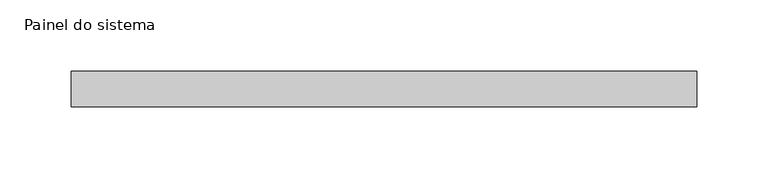
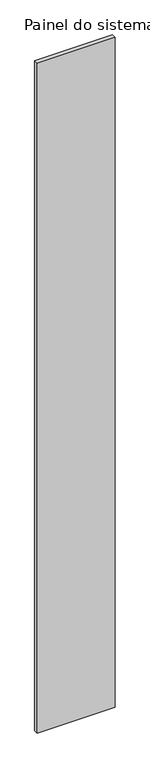
"""IFC4 building model written with IfcOpenShell, lengths in millimetres: plate geometry, Painel do sistema."""

from ifc_helpers import new_model, si_unit, origin, origin_with_axes, place, context, project, spatial, polyline, outline, extrude, source, transform, mapped, element, save


def painel_do_sistema_1e43ff94(model_context):
    return source(origin(), model_context, "Body", "SweptSolid", [
        extrude(outline(polyline([(219.9999998, 24.5), (-219.9999998, 24.5), (-219.9999998, 49.5), (219.9999998, 49.5), (219.9999998, 24.5)])), origin_with_axes(), (0.0, 0.0, 1.0), 4000.0),
    ])


if __name__ == "__main__":
    model = new_model("IFC4")
    model_context = context("Model", 3, world=origin())
    ifc_project = project(units=[si_unit("LENGTHUNIT", "METRE", prefix="MILLI")], contexts=[model_context])
    site = spatial("IfcSite", under=ifc_project)
    building = spatial("IfcBuilding", under=site)
    placement = place(None, origin())
    painel_do_sistema_shape = painel_do_sistema_1e43ff94(model_context)
    element("IfcPlate", 1, ObjectType="Painel do sistema", at=placement, inside=building, context=model_context, shape_type="MappedRepresentation", body=[
        mapped(painel_do_sistema_shape, transform((0.0, 0.0, 0.0), x_axis=(1.0, 0.0, 0.0), y_axis=(0.0, 1.0, 0.0), z_axis=(0.0, 0.0, 1.0))),
    ])
    save(model, "model.ifc")
